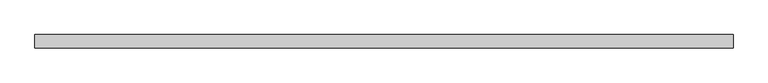
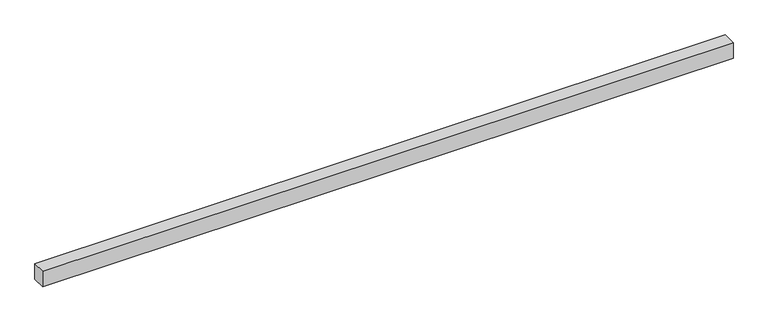
"""IFC4 building model written with IfcOpenShell, lengths in millimetres: proxy geometry."""

from ifc_helpers import new_model, si_unit, origin, origin_with_axes, place, context, project, spatial, polyline, outline, extrude, source, transform, mapped, element, save


def generic_models_b853f9e4(model_context):
    return source(origin(), model_context, "Body", "SweptSolid", [
        extrude(outline(polyline([(4150.0, -40.0), (0.0, -40.0), (0.0, 40.0), (4150.0, 40.0), (4150.0, -40.0)])), origin_with_axes(), (0.0, 0.0, 1.0), 100.0),
    ])


if __name__ == "__main__":
    model = new_model("IFC4")
    model_context = context("Model", 3, world=origin())
    ifc_project = project(units=[si_unit("LENGTHUNIT", "METRE", prefix="MILLI")], contexts=[model_context])
    site = spatial("IfcSite", under=ifc_project)
    building = spatial("IfcBuilding", under=site)
    placement = place(None, origin())
    generic_models_shape = generic_models_b853f9e4(model_context)
    element("IfcBuildingElementProxy", 1, Name="Generic Models", at=placement, inside=building, context=model_context, shape_type="MappedRepresentation", body=[
        mapped(generic_models_shape, transform((0.0, 0.0, 0.0), x_axis=(1.0, 0.0, 0.0), y_axis=(0.0, 1.0, 0.0), z_axis=(0.0, 0.0, 1.0))),
    ])
    save(model, "model.ifc")
